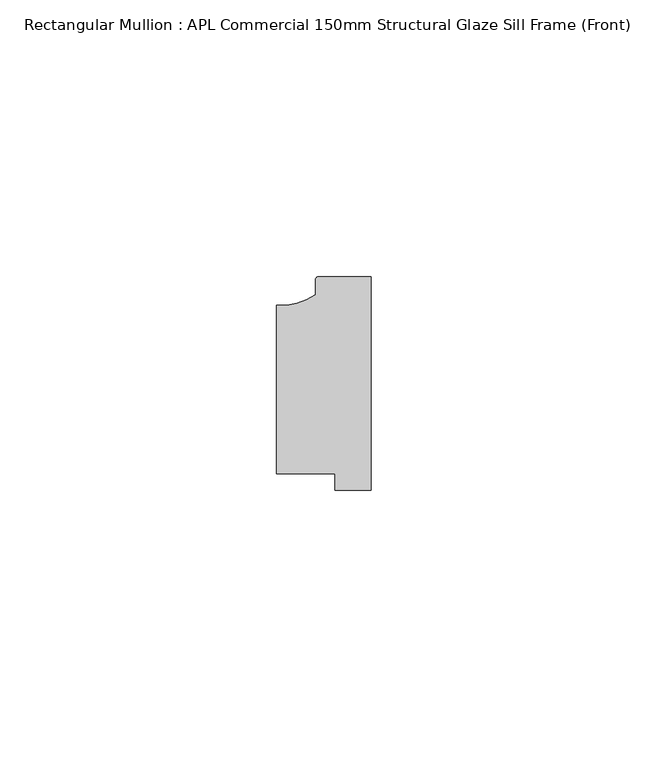
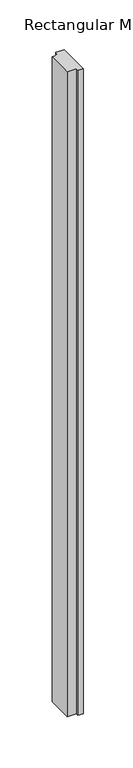
"""IFC4 building model written with IfcOpenShell, lengths in millimetres: member geometry, Rectangular Mullion : APL Commercial 150mm Structural Glaze Sill Frame (Front)."""

from ifc_helpers import new_model, si_unit, point, frame, frame_2d, origin, place, context, project, spatial, polyline, circle_curve, trimmed, segment, composite_curve, outline, extrude, source, transform, mapped, element, save


def rectangular_mullion_apl_commercial_150mm_structural_glaze_960e5d90(model_context):
    return source(origin(), model_context, "Body", "SweptSolid", [
        extrude(outline(composite_curve([segment(trimmed(circle_curve(frame_2d((-16.1098048, 25.7977481)), 10.4563907), [point((-16.999942, 15.3793144))], [point((-10.0, 17.3120901))], True, "CARTESIAN"), True, "CONTINUOUS"), segment(polyline([(-10.0, 17.3120901), (-10.0, 19.9980675)]), True, "CONTINUOUS"), segment(trimmed(circle_curve(frame_2d((-9.5000029, 19.99978)), 0.5), [point((-10.0, 19.9980675))], [point((-9.5000029, 20.49978))], False, "CARTESIAN"), True, "CONTINUOUS"), segment(polyline([(-9.5000029, 20.49978), (0.0, 20.49978), (0.0, -18.0281616), (-6.5000029, -18.0281616), (-6.5000029, -15.0004332), (-16.999942, -15.0004332), (-16.999942, 15.3793144)]), True, "CONTINUOUS")], self_intersect=False)), frame((0.0, 0.0, -793.4600666), z_axis=(0.0, 0.0, 1.0), x_axis=(1.0, 0.0, 0.0)), (0.0, 0.0, 1.0), 793.4600666),
    ])


if __name__ == "__main__":
    model = new_model("IFC4")
    model_context = context("Model", 3, world=origin())
    ifc_project = project(units=[si_unit("LENGTHUNIT", "METRE", prefix="MILLI")], contexts=[model_context])
    site = spatial("IfcSite", under=ifc_project)
    building = spatial("IfcBuilding", under=site)
    placement = place(None, origin())
    rectangular_mullion_apl_commercial_150mm_structural_glaze_shape = rectangular_mullion_apl_commercial_150mm_structural_glaze_960e5d90(model_context)
    element("IfcMember", 1, ObjectType="Rectangular Mullion : APL Commercial 150mm Structural Glaze Sill Frame (Front)", at=placement, inside=building, context=model_context, shape_type="MappedRepresentation", body=[
        mapped(rectangular_mullion_apl_commercial_150mm_structural_glaze_shape, transform((0.0, 0.0, 0.0), x_axis=(1.0, 0.0, 0.0), y_axis=(0.0, 1.0, 0.0), z_axis=(0.0, 0.0, 1.0))),
    ])
    save(model, "model.ifc")
